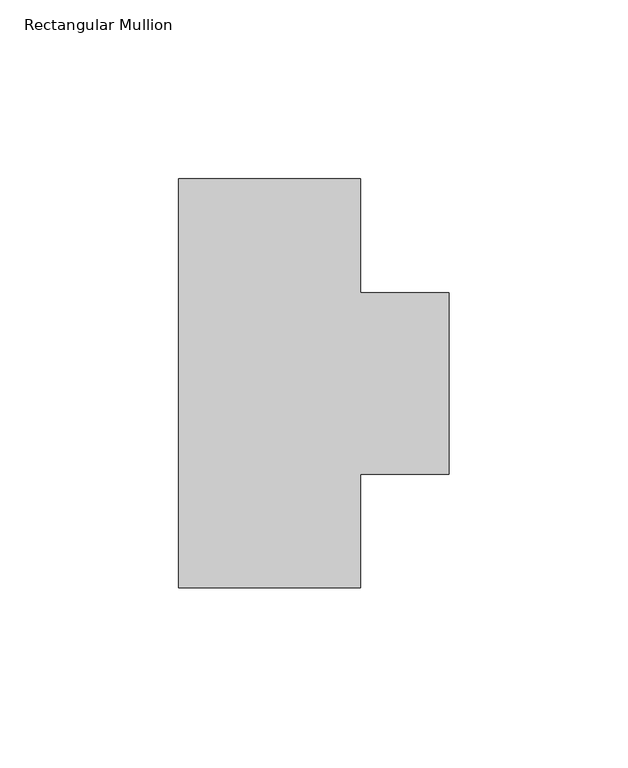
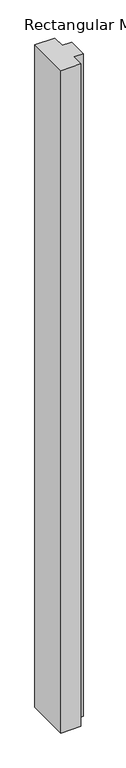
"""IFC4 building model written with IfcOpenShell, lengths in millimetres: member geometry, Rectangular Mullion."""

from ifc_helpers import new_model, si_unit, frame, origin, place, context, project, spatial, polyline, outline, extrude, source, transform, mapped, element, save


def rectangular_mullion_0502aaf3(model_context):
    return source(origin(), model_context, "Body", "SweptSolid", [
        extrude(outline(polyline([(25.4, 57.15), (25.4, 25.3999964), (50.1649855, 25.3999964), (50.1649855, -25.4000036), (25.4, -25.4000036), (25.4, -57.15), (-25.4, -57.15), (-25.4, 57.15), (25.4, 57.15)])), frame((0.0, 0.0, -1778.0), z_axis=(0.0, 0.0, 1.0), x_axis=(1.0, 0.0, 0.0)), (0.0, 0.0, 1.0), 1778.0),
    ])


if __name__ == "__main__":
    model = new_model("IFC4")
    model_context = context("Model", 3, world=origin())
    ifc_project = project(units=[si_unit("LENGTHUNIT", "METRE", prefix="MILLI")], contexts=[model_context])
    site = spatial("IfcSite", under=ifc_project)
    building = spatial("IfcBuilding", under=site)
    placement = place(None, origin())
    rectangular_mullion_shape = rectangular_mullion_0502aaf3(model_context)
    element("IfcMember", 1, ObjectType="Rectangular Mullion", at=placement, inside=building, context=model_context, shape_type="MappedRepresentation", body=[
        mapped(rectangular_mullion_shape, transform((0.0, 0.0, 0.0), x_axis=(1.0, 0.0, 0.0), y_axis=(0.0, 1.0, 0.0), z_axis=(0.0, 0.0, 1.0))),
    ])
    save(model, "model.ifc")
